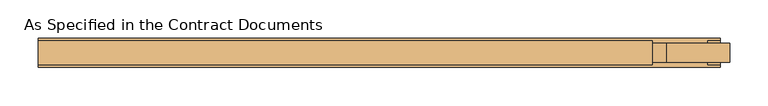
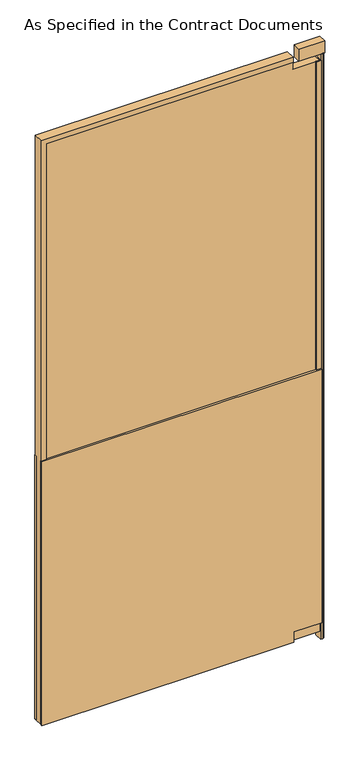
"""IFC4 building model written with IfcOpenShell, lengths in millimetres: door geometry, As Specified in the Contract Documents."""

import ifcopenshell
import ifcopenshell.guid

model = None  # the IFC model being written
_history = None  # IfcOwnerHistory: only IFC2X3 demands one
_inside = {}  # id of a spatial element -> (the spatial element, [elements in it])
_under = {}  # id of a project, library or spatial element -> (it, [spatial elements below it])
_declared = {}  # id of a project -> (the project, [libraries it declares])
_typed = {}  # id of a type object -> (the type object, [elements of that type])
_made_of = {}  # id of a material, layer set ... -> (it, [elements and type objects made of it])


def new_model(schema):
    """Start an empty IFC model of exactly this schema.

    Asked for "IFC4X3", IfcOpenShell would pick the latest addendum, in which some entities
    have other attributes; the version numbers below select the first issue.
    IFC2X3 requires an IfcOwnerHistory on every rooted entity: one is made here for all.
    """
    global model, _history
    if schema == "IFC4X3":
        model = ifcopenshell.file(schema_version=(4, 3, 0, 0))
    else:
        model = ifcopenshell.file(schema=schema)
    _inside.clear()
    _under.clear()
    _declared.clear()
    _typed.clear()
    _made_of.clear()
    _history = None
    if model.schema == "IFC2X3":
        org = make("IfcOrganization", Name="unknown")
        user = make(
            "IfcPersonAndOrganization",
            ThePerson=make("IfcPerson", FamilyName="unknown"),
            TheOrganization=org,
        )
        app = make(
            "IfcApplication",
            ApplicationDeveloper=org,
            Version="unknown",
            ApplicationFullName="unknown",
            ApplicationIdentifier="unknown",
        )
        _history = make(
            "IfcOwnerHistory",
            OwningUser=user,
            OwningApplication=app,
            ChangeAction="ADDED",
            CreationDate=0,
        )
    return model


def make(cls, **values):
    """One entity of the class cls with the attributes given. An attribute that is None is left unset."""
    return model.create_entity(
        cls, **{name: value for name, value in values.items() if value is not None}
    )


def rooted(cls, **values):
    """An entity with a GlobalId (a new one), such as an element, a storey or a relation."""
    return make(cls, GlobalId=ifcopenshell.guid.new(), OwnerHistory=_history, **values)


def si_unit(unit_type, name, prefix=None):
    """IfcSIUnit, for example si_unit("LENGTHUNIT", "METRE", prefix="MILLI")."""
    return make("IfcSIUnit", UnitType=unit_type, Prefix=prefix, Name=name)


def assignment(units):
    """IfcUnitAssignment: the units of a project."""
    return None if units is None else make("IfcUnitAssignment", Units=units)


def point(xyz):
    """IfcCartesianPoint."""
    return None if xyz is None else make("IfcCartesianPoint", Coordinates=xyz)


def direction(xyz):
    """IfcDirection."""
    return None if xyz is None else make("IfcDirection", DirectionRatios=xyz)


def frame(location, z_axis=None, x_axis=None):
    """IfcAxis2Placement3D, a coordinate frame: its origin and axes. An axis left out is left unset."""
    return make(
        "IfcAxis2Placement3D",
        Location=point(location),
        Axis=direction(z_axis),
        RefDirection=direction(x_axis),
    )


def frame_2d(location, x_axis=None):
    """IfcAxis2Placement2D, a coordinate frame in the plane: its origin and x axis."""
    return make(
        "IfcAxis2Placement2D", Location=point(location), RefDirection=direction(x_axis)
    )


def origin():
    """The frame at (0, 0, 0) with its axes left unset."""
    return frame((0.0, 0.0, 0.0))


def origin_with_axes():
    """The frame at (0, 0, 0) with the z axis (0, 0, 1) and the x axis (1, 0, 0) written out."""
    return frame((0.0, 0.0, 0.0), z_axis=(0.0, 0.0, 1.0), x_axis=(1.0, 0.0, 0.0))


def place(relative_to, where):
    """IfcLocalPlacement: puts the frame where relative to a parent placement (None: the world)."""
    return make(
        "IfcLocalPlacement", PlacementRelTo=relative_to, RelativePlacement=where
    )


def context(
    kind, dimensions, precision=None, world=None, true_north=None, identifier=None
):
    """IfcGeometricRepresentationContext, for example the 3D "Model" context."""
    return make(
        "IfcGeometricRepresentationContext",
        ContextIdentifier=identifier,
        ContextType=kind,
        CoordinateSpaceDimension=dimensions,
        Precision=precision,
        WorldCoordinateSystem=world,
        TrueNorth=true_north,
    )


def project(units=None, contexts=None):
    """IfcProject with its units and contexts."""
    return rooted(
        "IfcProject",
        Name="project",
        RepresentationContexts=contexts,
        UnitsInContext=assignment(units),
    )


def spatial(cls, under=None, at=None, **own):
    """A site, building, storey or space (cls), placed at a placement, below another one or the project."""
    s = rooted(cls, ObjectPlacement=at, **own)
    if under is not None:
        _under.setdefault(under.id(), (under, []))[1].append(s)
    return s


def polyline(points):
    """IfcPolyline through the points."""
    return make("IfcPolyline", Points=[point(p) for p in points])


def circle_curve(where, radius):
    """IfcCircle in the frame where."""
    return make("IfcCircle", Position=where, Radius=radius)


def trimmed(basis, trim1, trim2, sense, master):
    """IfcTrimmedCurve: the piece of a basis curve between two trims."""
    return make(
        "IfcTrimmedCurve",
        BasisCurve=basis,
        Trim1=trim1,
        Trim2=trim2,
        SenseAgreement=sense,
        MasterRepresentation=master,
    )


def segment(curve, same_sense, transition):
    """IfcCompositeCurveSegment."""
    return make(
        "IfcCompositeCurveSegment",
        Transition=transition,
        SameSense=same_sense,
        ParentCurve=curve,
    )


def composite_curve(segments, self_intersect=None):
    """IfcCompositeCurve: segments joined end to end."""
    return make("IfcCompositeCurve", Segments=segments, SelfIntersect=self_intersect)


def outline(outer, holes=None, kind="AREA"):
    """IfcArbitraryClosedProfileDef: a profile drawn as a closed curve; with holes, ...WithVoids."""
    if holes is None:
        return make("IfcArbitraryClosedProfileDef", ProfileType=kind, OuterCurve=outer)
    return make(
        "IfcArbitraryProfileDefWithVoids",
        ProfileType=kind,
        OuterCurve=outer,
        InnerCurves=holes,
    )


def extrude(swept, where, along, depth):
    """IfcExtrudedAreaSolid: the profile swept, set in the frame where, extruded along a direction by depth."""
    return make(
        "IfcExtrudedAreaSolid",
        SweptArea=swept,
        Position=where,
        ExtrudedDirection=direction(along),
        Depth=depth,
    )


def faces_of(points, faces, orient=None, outer=None):
    """IfcFace entities. A face is a list of loops; a loop is a list of indices into points, from 0.

    orient and outer hold one flag for each loop. By default every Orientation is true, the
    first loop of a face is its IfcFaceOuterBound and the others are IfcFaceBound.
    """
    made = []
    for i, loops in enumerate(faces):
        bounds = []
        for j, loop in enumerate(loops):
            is_outer = j == 0 if outer is None else outer[i][j]
            bounds.append(
                make(
                    "IfcFaceOuterBound" if is_outer else "IfcFaceBound",
                    Bound=make("IfcPolyLoop", Polygon=[points[k] for k in loop]),
                    Orientation=True if orient is None else orient[i][j],
                )
            )
        made.append(make("IfcFace", Bounds=bounds))
    return made


def faceted_brep(points, faces, orient=None, outer=None, voids=None):
    """IfcFacetedBrep: a solid bounded by flat faces; with voids (closed shells), ...WithVoids."""
    shared = [point(p) for p in points]
    hull = make("IfcClosedShell", CfsFaces=faces_of(shared, faces, orient, outer))
    if voids is None:
        return make("IfcFacetedBrep", Outer=hull)
    return make(
        "IfcFacetedBrepWithVoids",
        Outer=hull,
        Voids=[
            make(cls, CfsFaces=faces_of(shared, fs, o, b)) for cls, fs, o, b in voids
        ],
    )


def shape(context_of_items, identifier, shape_type, items):
    """IfcShapeRepresentation: the items that make up one representation, for example the "Body"."""
    return make(
        "IfcShapeRepresentation",
        ContextOfItems=context_of_items,
        RepresentationIdentifier=identifier,
        RepresentationType=shape_type,
        Items=items,
    )


def source(mapping_origin, context_of_items, identifier, shape_type, items):
    """IfcRepresentationMap: a shape defined once, which mapped items show again and again."""
    return make(
        "IfcRepresentationMap",
        MappingOrigin=mapping_origin,
        MappedRepresentation=shape(context_of_items, identifier, shape_type, items),
    )


def transform(
    local_origin,
    x_axis=None,
    y_axis=None,
    z_axis=None,
    scale=None,
    scale2=None,
    scale3=None,
    uniform=True,
):
    """IfcCartesianTransformationOperator3D, or its non-uniform kind. x_axis, y_axis, z_axis: its Axis1, 2, 3."""
    if uniform:
        return make(
            "IfcCartesianTransformationOperator3D",
            Axis1=direction(x_axis),
            Axis2=direction(y_axis),
            LocalOrigin=point(local_origin),
            Scale=scale,
            Axis3=direction(z_axis),
        )
    return make(
        "IfcCartesianTransformationOperator3DnonUniform",
        Axis1=direction(x_axis),
        Axis2=direction(y_axis),
        LocalOrigin=point(local_origin),
        Scale=scale,
        Axis3=direction(z_axis),
        Scale2=scale2,
        Scale3=scale3,
    )


def mapped(mapping_source, mapping_target):
    """IfcMappedItem: shows the shape of a source again, moved by a transform."""
    return make(
        "IfcMappedItem", MappingSource=mapping_source, MappingTarget=mapping_target
    )


def made_of(thing, what):
    """Note that an element or type object is made of a material, layer set ...; save() writes the relation."""
    if what is not None:
        _made_of.setdefault(what.id(), (what, []))[1].append(thing)
    return thing


def element(
    cls,
    number,
    at=None,
    inside=None,
    cuts=None,
    type_object=None,
    material=None,
    context=None,
    identifier="Body",
    shape_type=None,
    held_by="IfcProductDefinitionShape",
    body=None,
    shapes=None,
    **own,
):
    """One element of the class cls, such as IfcWall. Its Tag is "e" and its number.

    at: its placement. inside: the storey or other place that contains it. cuts: it is an
    opening in that element (IfcRelVoidsElement). A single representation is given by context,
    identifier, shape_type and body (its items); several are given by shapes. held_by: the class
    of the entity that holds the representations. save() writes the other relations.
    """
    e = rooted(cls, Tag="e%d" % number, ObjectPlacement=at, **own)
    if body is not None:
        shapes = [shape(context, identifier, shape_type, body)]
    if shapes is not None:
        e.Representation = make(held_by, Representations=shapes)
    if inside is not None:
        _inside.setdefault(inside.id(), (inside, []))[1].append(e)
    if cuts is not None:
        rooted(
            "IfcRelVoidsElement", RelatingBuildingElement=cuts, RelatedOpeningElement=e
        )
    if type_object is not None:
        _typed.setdefault(type_object.id(), (type_object, []))[1].append(e)
    return made_of(e, material)


def aggregate(whole, parts):
    """IfcRelAggregates: a whole, such as a stair, and the parts it consists of."""
    return rooted("IfcRelAggregates", RelatingObject=whole, RelatedObjects=parts)


def save(model, path):
    """Write the relations noted so far, then the file.

    IfcRelAggregates (storeys below a building ...), IfcRelContainedInSpatialStructure (elements
    in a storey), IfcRelDefinesByType, IfcRelAssociatesMaterial and IfcRelDeclares: one each for
    every whole, place, type object, material and project.
    """
    for whole, parts in _under.values():
        aggregate(whole, parts)
    for where, things in _inside.values():
        rooted(
            "IfcRelContainedInSpatialStructure",
            RelatedElements=things,
            RelatingStructure=where,
        )
    for kind, things in _typed.values():
        rooted("IfcRelDefinesByType", RelatedObjects=things, RelatingType=kind)
    for what, things in _made_of.values():
        rooted("IfcRelAssociatesMaterial", RelatedObjects=things, RelatingMaterial=what)
    for by, libraries in _declared.values():
        rooted("IfcRelDeclares", RelatingContext=by, RelatedDefinitions=libraries)
    model.write(path)


def as_specified_in_the_contract_documents_151648eb(model_context):
    return source(origin(), model_context, "Body", "SolidModel", [
        extrude(outline(polyline([(25.4, 377.825), (60.325, 377.825), (60.325, 466.725), (914.4, 466.725), (914.4, -425.45), (25.4, -425.45), (25.4, 377.825)])), frame((0.0, -4.7625, 0.0), z_axis=(0.0, 1.0, 0.0), x_axis=(0.0, 0.0, 1.0)), (0.0, 0.0, 1.0), 6.35),
        extrude(outline(polyline([(25.4, 377.825), (60.325, 377.825), (60.325, 466.725), (914.4, 466.725), (914.4, -425.45), (25.4, -425.45), (25.4, 377.825)])), frame((0.0, -36.5125, 0.0), z_axis=(0.0, 1.0, 0.0), x_axis=(0.0, 0.0, 1.0)), (0.0, 0.0, 1.0), 6.35),
        extrude(outline(polyline([(463.55, -30.1625), (463.55, -4.7625), (450.85, -4.7625), (450.85, -1.5875), (466.725, -1.5875), (466.725, -33.3375), (450.85, -33.3375), (450.85, -30.1625), (463.55, -30.1625)])), frame((0.0, 0.0, 60.325), z_axis=(0.0, 0.0, 1.0), x_axis=(1.0, 0.0, 0.0)), (0.0, 0.0, 1.0), 1892.3),
        faceted_brep([(377.825, -30.1625, 28.575), (377.825, -30.1625, 41.275), (377.825, -33.3375, 41.275), (377.825, -33.3375, 25.4), (377.825, -1.5875, 25.4), (377.825, -1.5875, 41.275), (377.825, -4.7625, 41.275), (377.825, -4.7625, 28.575), (-422.275, -30.1625, 28.575), (-422.275, -30.1625, 1990.725), (377.825, -30.1625, 1990.725), (377.825, -30.1625, 1978.025), (-409.575, -30.1625, 1978.025), (-409.575, -30.1625, 41.275), (-409.575, -33.3375, 41.275), (-409.575, -33.3375, 1978.025), (377.825, -33.3375, 1978.025), (377.825, -33.3375, 1993.9), (-425.45, -33.3375, 1993.9), (-425.45, -33.3375, 25.4), (-425.45, -1.5875, 25.4), (-425.45, -1.5875, 1993.9), (377.825, -1.5875, 1993.9), (377.825, -1.5875, 1978.025), (-409.575, -1.5875, 1978.025), (-409.575, -1.5875, 41.275), (-409.575, -4.7625, 41.275), (-409.575, -4.7625, 1978.025), (377.825, -4.7625, 1978.025), (377.825, -4.7625, 1990.725), (-422.275, -4.7625, 1990.725), (-422.275, -4.7625, 28.575)], [[[0, 1, 2, 3, 4, 5, 6, 7]], [[1, 0, 8, 9, 10, 11, 12, 13]], [[2, 1, 13, 14]], [[3, 2, 14, 15, 16, 17, 18, 19]], [[4, 3, 19, 20]], [[5, 4, 20, 21, 22, 23, 24, 25]], [[6, 5, 25, 26]], [[7, 6, 26, 27, 28, 29, 30, 31]], [[0, 7, 31, 8]], [[14, 13, 12, 15]], [[20, 19, 18, 21]], [[26, 25, 24, 27]], [[8, 31, 30, 9]], [[10, 29, 28, 23, 22, 17, 16, 11]], [[15, 12, 11, 16]], [[21, 18, 17, 22]], [[27, 24, 23, 28]], [[9, 30, 29, 10]]]),
        extrude(outline(composite_curve([segment(polyline([(466.725, -4.7625), (473.075, -4.7625)]), True, "CONTINUOUS"), segment(trimmed(circle_curve(frame_2d((473.075, -11.1125)), 6.35), [point((473.075, -4.7625))], [point((479.425, -11.1125))], False, "CARTESIAN"), True, "CONTINUOUS"), segment(polyline([(479.425, -11.1125), (479.425, -23.8125)]), True, "CONTINUOUS"), segment(trimmed(circle_curve(frame_2d((473.075, -23.8125)), 6.35), [point((479.425, -23.8125))], [point((473.075, -30.1625))], False, "CARTESIAN"), True, "CONTINUOUS"), segment(polyline([(473.075, -30.1625), (466.725, -30.1625), (466.725, -4.7625)]), True, "CONTINUOUS")], self_intersect=False)), origin_with_axes(), (0.0, 0.0, 1.0), 1971.675),
        extrude(outline(polyline([(479.425, -4.7625), (479.425, -30.1625), (396.875, -30.1625), (396.875, -4.7625), (479.425, -4.7625)])), frame((0.0, 0.0, 1971.675), z_axis=(0.0, 0.0, 1.0), x_axis=(1.0, 0.0, 0.0)), (0.0, 0.0, 1.0), 41.275),
        extrude(outline(polyline([(463.55, -4.7625), (463.55, -30.1625), (377.825, -30.1625), (377.825, -4.7625), (463.55, -4.7625)])), frame((0.0, 0.0, 28.575), z_axis=(0.0, 0.0, 1.0), x_axis=(1.0, 0.0, 0.0)), (0.0, 0.0, 1.0), 31.75),
        extrude(outline(polyline([(1990.725, 377.825), (1990.725, -422.275), (28.575, -422.275), (28.575, 377.825), (60.325, 377.825), (60.325, 463.55), (1952.625, 463.55), (1952.625, 377.825), (1990.725, 377.825)])), frame((0.0, -30.1625, 0.0), z_axis=(0.0, 1.0, 0.0), x_axis=(0.0, 0.0, 1.0)), (0.0, 0.0, 1.0), 25.4),
    ])


if __name__ == "__main__":
    model = new_model("IFC4")
    model_context = context("Model", 3, world=origin())
    ifc_project = project(units=[si_unit("LENGTHUNIT", "METRE", prefix="MILLI")], contexts=[model_context])
    site = spatial("IfcSite", under=ifc_project)
    building = spatial("IfcBuilding", under=site)
    placement = place(None, origin())
    as_specified_in_the_contract_documents_shape = as_specified_in_the_contract_documents_151648eb(model_context)
    element("IfcDoor", 1, ObjectType="As Specified in the Contract Documents", at=placement, inside=building, context=model_context, shape_type="MappedRepresentation", body=[
        mapped(as_specified_in_the_contract_documents_shape, transform((0.0, 0.0, 0.0), x_axis=(1.0, 0.0, 0.0), y_axis=(0.0, 1.0, 0.0), z_axis=(0.0, 0.0, 1.0))),
    ])
    save(model, "model.ifc")
